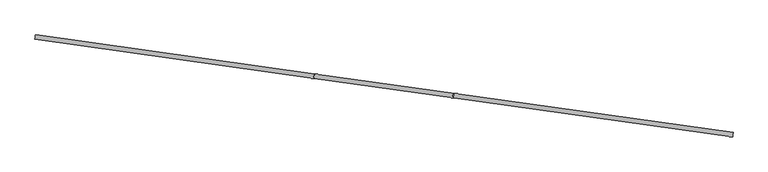
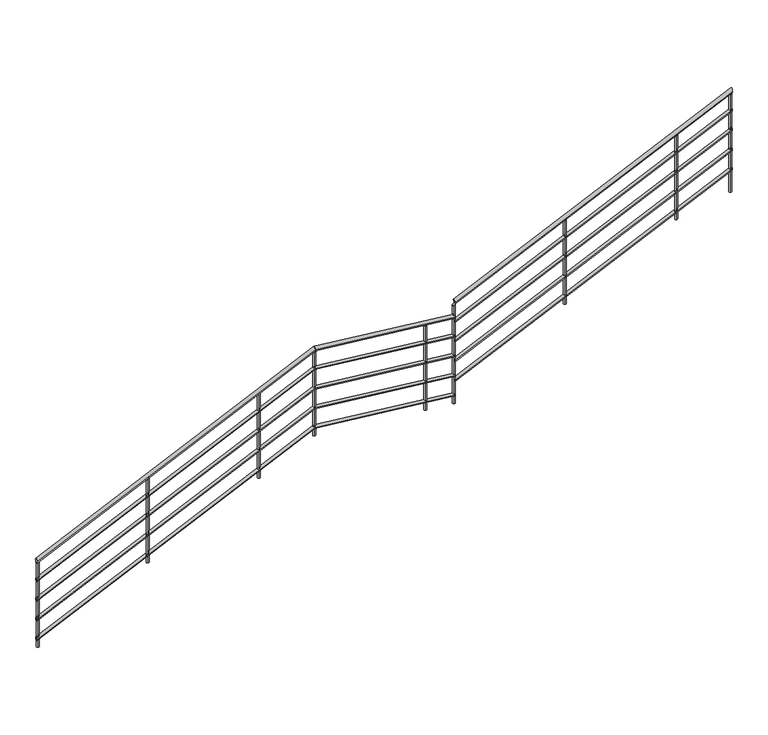
"""IFC4 building model written with IfcOpenShell, lengths in millimetres: railing geometry."""

from ifc_helpers import new_model, si_unit, point, frame, frame_2d, origin, place, context, project, spatial, circle_curve, ellipse_curve, trimmed, segment, composite_curve, outline, extrude, source, transform, mapped, element, save
from ifc_brep_helpers import plane_surface, cylinder_surface, advanced_brep


def railing_4bac88d4(model_context):
    return source(origin(), model_context, "Body", "SolidModel", [
        advanced_brep(
        [(-4151.011266, 434.3036285, 1026.6761924), (-4156.5781901, 394.6929057, 1026.6761924), (-1669.8553267, 85.5999018, 2530.0), (-1675.4222507, 45.989179, 2530.0), (-426.0459057, -89.2061125, 2530.0), (-431.6128298, -128.8168352, 2530.0)],
        [
            (0, 1, ellipse_curve(frame((-4153.7947281, 414.4982671, 1026.6761924), z_axis=(-0.9902680687415699, 0.1391731009600684, 0.0), x_axis=(0.0, 0.0, -1.0)), 23.3238076, 20.0)),
            (1, 0, ellipse_curve(frame((-4153.7947281, 414.4982671, 1026.6761924), z_axis=(-0.9902680687415699, 0.1391731009600684, 0.0), x_axis=(0.0, 0.0, -1.0)), 23.3238076, 20.0)),
            (0, 2),
            (2, 3, ellipse_curve(frame((-1672.6387887, 65.7945404, 2530.0), z_axis=(-0.95433612077669, 0.1341231950006012, -0.26693358189581534), x_axis=(0.2643358026262391, -0.03714997434281909, -0.9637149282107598)), 20.753025, 20.0)),
            (3, 1),
            (3, 2, ellipse_curve(frame((-1672.6387887, 65.7945404, 2530.0), z_axis=(-0.95433612077669, 0.1341231950006012, -0.26693358189581534), x_axis=(0.2643358026262391, -0.03714997434281909, -0.9637149282107598)), 20.753025, 20.0)),
            (4, 5, ellipse_curve(frame((-428.8293677, -109.0114739, 2530.0), z_axis=(0.95433612077669, -0.13412319500060113, 0.2669335818958153), x_axis=(-0.26433580262623835, 0.0371499743428193, 0.96371492821076)), 20.753025, 20.0)),
            (5, 4, ellipse_curve(frame((-428.8293677, -109.0114739, 2530.0), z_axis=(0.95433612077669, -0.13412319500060113, 0.2669335818958153), x_axis=(-0.26433580262623835, 0.0371499743428193, 0.96371492821076)), 20.753025, 20.0)),
            (2, 4),
            (5, 3),
        ],
        [
            plane_surface(frame((-4153.7947281, 414.4982671, 1050.0), z_axis=(-0.9902680687415699, 0.1391731009600684, 0.0), x_axis=(0.1391731009600684, 0.9902680687415699, 0.0))),
            cylinder_surface(frame((-4143.6049537, 413.0661877, 1032.8501415), z_axis=(-0.8491478635049157, 0.1193399495227358, -0.5144957554275332), x_axis=(-0.1391731009600684, -0.9902680687415699, 0.0)), 20.0),
            plane_surface(frame((-434.3151353, -108.2404995, 2550.0), z_axis=(0.95433612077669, -0.13412319500060113, 0.2669335818958153), x_axis=(0.2987349470364979, 0.4284688179030189, -0.8527437501992557))),
            cylinder_surface(frame((-1678.1245562, 66.5655147, 2530.0), z_axis=(-0.99026806874157, 0.1391731009600685, 0.0), x_axis=(-0.1391731009600685, -0.99026806874157, 0.0)), 20.0),
        ],
        [
            (0, [[1, 2]]),
            (1, [[-1, 3, 4, 5]]),
            (1, [[-2, -5, 6, -3]]),
            (2, [[7, 8]]),
            (3, [[-4, 9, -8, 10]]),
            (3, [[-6, -10, -7, -9]]),
        ],
    ),
        advanced_brep(
        [(-426.0459057, -89.2061125, 2680.0), (-431.6128298, -128.8168352, 2680.0), (2044.1384986, -436.3678905, 4176.6761924), (2038.5715746, -475.9786133, 4176.6761924)],
        [
            (0, 1, ellipse_curve(frame((-428.8293677, -109.0114739, 2680.0), z_axis=(-0.95433612077669, 0.13412319500060113, -0.2669335818958153), x_axis=(0.264335802626239, -0.03714997434281897, -0.9637149282107599)), 20.753025, 20.0)),
            (1, 0, ellipse_curve(frame((-428.8293677, -109.0114739, 2680.0), z_axis=(-0.95433612077669, 0.13412319500060113, -0.2669335818958153), x_axis=(0.264335802626239, -0.03714997434281897, -0.9637149282107599)), 20.753025, 20.0)),
            (2, 3, ellipse_curve(frame((2041.3550366, -456.1732519, 4176.6761924), z_axis=(0.9902680687415699, -0.1391731009600684, 0.0), x_axis=(0.0, 0.0, -1.0)), 23.3238076, 20.0)),
            (3, 2, ellipse_curve(frame((2041.3550366, -456.1732519, 4176.6761924), z_axis=(0.9902680687415699, -0.1391731009600684, 0.0), x_axis=(0.0, 0.0, -1.0)), 23.3238076, 20.0)),
            (0, 2),
            (3, 1),
        ],
        [
            plane_surface(frame((-434.3151353, -108.2404995, 2700.0), z_axis=(-0.95433612077669, 0.13412319500060113, -0.2669335818958153), x_axis=(0.2987349470364979, 0.4284688179030189, -0.8527437501992557))),
            plane_surface(frame((2041.3550366, -456.1732519, 4200.0), z_axis=(0.9902680687415699, -0.1391731009600684, 0.0), x_axis=(0.1391731009600684, 0.9902680687415699, 0.0))),
            cylinder_surface(frame((-424.1253609, -109.6725789, 2682.8501415), z_axis=(-0.8491478635049158, 0.1193399495227358, -0.5144957554275333), x_axis=(-0.1391731009600684, -0.99026806874157, 0.0)), 20.0),
        ],
        [
            (0, [[1, 2]]),
            (1, [[3, 4]]),
            (2, [[-1, 5, -4, 6]]),
            (2, [[-2, -6, -3, -5]]),
        ],
    ),
        advanced_brep(
        [(-4151.7071315, 429.3522882, 832.5071443), (-4155.8823246, 399.6442461, 832.5071443), (-1671.922634, 80.841305, 2335.0), (-1676.0978271, 51.1332629, 2335.0), (-428.1132131, -93.9647092, 2335.0), (-432.2884061, -123.6727513, 2335.0)],
        [
            (0, 1, ellipse_curve(frame((-4153.7947281, 414.4982671, 832.5071443), z_axis=(-0.9902680687415699, 0.1391731009600684, 0.0), x_axis=(0.0, 0.0, -1.0)), 17.4928557, 15.0)),
            (1, 0, ellipse_curve(frame((-4153.7947281, 414.4982671, 832.5071443), z_axis=(-0.9902680687415699, 0.1391731009600684, 0.0), x_axis=(0.0, 0.0, -1.0)), 17.4928557, 15.0)),
            (0, 2),
            (2, 3, ellipse_curve(frame((-1674.0102306, 65.987284, 2335.0), z_axis=(-0.95433612077669, 0.1341231950006012, -0.26693358189581534), x_axis=(0.2643358026262391, -0.03714997434281909, -0.9637149282107598)), 15.5647688, 15.0)),
            (3, 1),
            (3, 2, ellipse_curve(frame((-1674.0102306, 65.987284, 2335.0), z_axis=(-0.95433612077669, 0.1341231950006012, -0.26693358189581534), x_axis=(0.2643358026262391, -0.03714997434281909, -0.9637149282107598)), 15.5647688, 15.0)),
            (4, 5, ellipse_curve(frame((-430.2008096, -108.8187303, 2335.0), z_axis=(0.95433612077669, -0.13412319500060113, 0.2669335818958153), x_axis=(-0.26433580262623835, 0.0371499743428193, 0.96371492821076)), 15.5647688, 15.0)),
            (5, 4, ellipse_curve(frame((-430.2008096, -108.8187303, 2335.0), z_axis=(0.95433612077669, -0.13412319500060113, 0.2669335818958153), x_axis=(-0.26433580262623835, 0.0371499743428193, 0.96371492821076)), 15.5647688, 15.0)),
            (2, 4),
            (5, 3),
        ],
        [
            plane_surface(frame((-4153.7947281, 414.4982671, 850.0), z_axis=(-0.9902680687415699, 0.1391731009600684, 0.0), x_axis=(0.1391731009600684, 0.9902680687415699, 0.0))),
            cylinder_surface(frame((-4146.1523973, 413.4242076, 837.1376061), z_axis=(-0.8491478635049157, 0.1193399495227358, -0.5144957554275332), x_axis=(-0.1391731009600684, -0.9902680687415699, 0.0)), 15.0),
            plane_surface(frame((-434.3151353, -108.2404995, 2350.0), z_axis=(0.95433612077669, -0.13412319500060113, 0.2669335818958153), x_axis=(0.2987349470364979, 0.4284688179030189, -0.8527437501992557))),
            cylinder_surface(frame((-1678.1245562, 66.5655147, 2335.0), z_axis=(-0.99026806874157, 0.1391731009600685, 0.0), x_axis=(-0.1391731009600685, -0.99026806874157, 0.0)), 15.0),
        ],
        [
            (0, [[1, 2]]),
            (1, [[-1, 3, 4, 5]]),
            (1, [[-2, -5, 6, -3]]),
            (2, [[7, 8]]),
            (3, [[-4, 9, -8, 10]]),
            (3, [[-6, -10, -7, -9]]),
        ],
    ),
        advanced_brep(
        [(-428.1132131, -93.9647092, 2485.0), (-432.2884061, -123.6727513, 2485.0), (2043.4426331, -441.3192309, 3982.5071443), (2039.2674401, -471.0272729, 3982.5071443)],
        [
            (0, 1, ellipse_curve(frame((-430.2008096, -108.8187303, 2485.0), z_axis=(-0.95433612077669, 0.13412319500060113, -0.2669335818958153), x_axis=(0.264335802626239, -0.03714997434281897, -0.9637149282107599)), 15.5647688, 15.0)),
            (1, 0, ellipse_curve(frame((-430.2008096, -108.8187303, 2485.0), z_axis=(-0.95433612077669, 0.13412319500060113, -0.2669335818958153), x_axis=(0.264335802626239, -0.03714997434281897, -0.9637149282107599)), 15.5647688, 15.0)),
            (2, 3, ellipse_curve(frame((2041.3550366, -456.1732519, 3982.5071443), z_axis=(0.9902680687415699, -0.1391731009600684, 0.0), x_axis=(0.0, 0.0, -1.0)), 17.4928557, 15.0)),
            (3, 2, ellipse_curve(frame((2041.3550366, -456.1732519, 3982.5071443), z_axis=(0.9902680687415699, -0.1391731009600684, 0.0), x_axis=(0.0, 0.0, -1.0)), 17.4928557, 15.0)),
            (0, 2),
            (3, 1),
        ],
        [
            plane_surface(frame((-434.3151353, -108.2404995, 2500.0), z_axis=(-0.95433612077669, 0.13412319500060113, -0.2669335818958153), x_axis=(0.2987349470364979, 0.4284688179030189, -0.8527437501992557))),
            plane_surface(frame((2041.3550366, -456.1732519, 4000.0), z_axis=(0.9902680687415699, -0.1391731009600684, 0.0), x_axis=(0.1391731009600684, 0.9902680687415699, 0.0))),
            cylinder_surface(frame((-426.6728045, -109.3145591, 2487.1376061), z_axis=(-0.8491478635049158, 0.1193399495227358, -0.5144957554275333), x_axis=(-0.1391731009600684, -0.99026806874157, 0.0)), 15.0),
        ],
        [
            (0, [[1, 2]]),
            (1, [[3, 4]]),
            (2, [[-1, 5, -4, 6]]),
            (2, [[-2, -6, -3, -5]]),
        ],
    ),
        advanced_brep(
        [(-4151.7071315, 429.3522882, 632.5071443), (-4155.8823246, 399.6442461, 632.5071443), (-1671.922634, 80.841305, 2135.0), (-1676.0978271, 51.1332629, 2135.0), (-428.1132131, -93.9647092, 2135.0), (-432.2884061, -123.6727513, 2135.0)],
        [
            (0, 1, ellipse_curve(frame((-4153.7947281, 414.4982671, 632.5071443), z_axis=(-0.9902680687415699, 0.1391731009600684, 0.0), x_axis=(0.0, 0.0, -1.0)), 17.4928557, 15.0)),
            (1, 0, ellipse_curve(frame((-4153.7947281, 414.4982671, 632.5071443), z_axis=(-0.9902680687415699, 0.1391731009600684, 0.0), x_axis=(0.0, 0.0, -1.0)), 17.4928557, 15.0)),
            (0, 2),
            (2, 3, ellipse_curve(frame((-1674.0102306, 65.987284, 2135.0), z_axis=(-0.95433612077669, 0.1341231950006012, -0.26693358189581534), x_axis=(0.2643358026262391, -0.03714997434281909, -0.9637149282107598)), 15.5647688, 15.0)),
            (3, 1),
            (3, 2, ellipse_curve(frame((-1674.0102306, 65.987284, 2135.0), z_axis=(-0.95433612077669, 0.1341231950006012, -0.26693358189581534), x_axis=(0.2643358026262391, -0.03714997434281909, -0.9637149282107598)), 15.5647688, 15.0)),
            (4, 5, ellipse_curve(frame((-430.2008096, -108.8187303, 2135.0), z_axis=(0.95433612077669, -0.13412319500060113, 0.2669335818958153), x_axis=(-0.26433580262623835, 0.0371499743428193, 0.96371492821076)), 15.5647688, 15.0)),
            (5, 4, ellipse_curve(frame((-430.2008096, -108.8187303, 2135.0), z_axis=(0.95433612077669, -0.13412319500060113, 0.2669335818958153), x_axis=(-0.26433580262623835, 0.0371499743428193, 0.96371492821076)), 15.5647688, 15.0)),
            (2, 4),
            (5, 3),
        ],
        [
            plane_surface(frame((-4153.7947281, 414.4982671, 650.0), z_axis=(-0.9902680687415699, 0.1391731009600684, 0.0), x_axis=(0.1391731009600684, 0.9902680687415699, 0.0))),
            cylinder_surface(frame((-4146.1523973, 413.4242076, 637.1376061), z_axis=(-0.8491478635049157, 0.1193399495227358, -0.5144957554275332), x_axis=(-0.1391731009600684, -0.9902680687415699, 0.0)), 15.0),
            plane_surface(frame((-434.3151353, -108.2404995, 2150.0), z_axis=(0.95433612077669, -0.13412319500060113, 0.2669335818958153), x_axis=(0.2987349470364979, 0.4284688179030189, -0.8527437501992557))),
            cylinder_surface(frame((-1678.1245562, 66.5655147, 2135.0), z_axis=(-0.99026806874157, 0.1391731009600685, 0.0), x_axis=(-0.1391731009600685, -0.99026806874157, 0.0)), 15.0),
        ],
        [
            (0, [[1, 2]]),
            (1, [[-1, 3, 4, 5]]),
            (1, [[-2, -5, 6, -3]]),
            (2, [[7, 8]]),
            (3, [[-4, 9, -8, 10]]),
            (3, [[-6, -10, -7, -9]]),
        ],
    ),
        advanced_brep(
        [(-428.1132131, -93.9647092, 2285.0), (-432.2884061, -123.6727513, 2285.0), (2043.4426331, -441.3192309, 3782.5071443), (2039.2674401, -471.0272729, 3782.5071443)],
        [
            (0, 1, ellipse_curve(frame((-430.2008096, -108.8187303, 2285.0), z_axis=(-0.95433612077669, 0.13412319500060113, -0.2669335818958153), x_axis=(0.264335802626239, -0.03714997434281897, -0.9637149282107599)), 15.5647688, 15.0)),
            (1, 0, ellipse_curve(frame((-430.2008096, -108.8187303, 2285.0), z_axis=(-0.95433612077669, 0.13412319500060113, -0.2669335818958153), x_axis=(0.264335802626239, -0.03714997434281897, -0.9637149282107599)), 15.5647688, 15.0)),
            (2, 3, ellipse_curve(frame((2041.3550366, -456.1732519, 3782.5071443), z_axis=(0.9902680687415699, -0.1391731009600684, 0.0), x_axis=(0.0, 0.0, -1.0)), 17.4928557, 15.0)),
            (3, 2, ellipse_curve(frame((2041.3550366, -456.1732519, 3782.5071443), z_axis=(0.9902680687415699, -0.1391731009600684, 0.0), x_axis=(0.0, 0.0, -1.0)), 17.4928557, 15.0)),
            (0, 2),
            (3, 1),
        ],
        [
            plane_surface(frame((-434.3151353, -108.2404995, 2300.0), z_axis=(-0.95433612077669, 0.13412319500060113, -0.2669335818958153), x_axis=(0.2987349470364979, 0.4284688179030189, -0.8527437501992557))),
            plane_surface(frame((2041.3550366, -456.1732519, 3800.0), z_axis=(0.9902680687415699, -0.1391731009600684, 0.0), x_axis=(0.1391731009600684, 0.9902680687415699, 0.0))),
            cylinder_surface(frame((-426.6728045, -109.3145591, 2287.1376061), z_axis=(-0.8491478635049158, 0.1193399495227358, -0.5144957554275333), x_axis=(-0.1391731009600684, -0.99026806874157, 0.0)), 15.0),
        ],
        [
            (0, [[1, 2]]),
            (1, [[3, 4]]),
            (2, [[-1, 5, -4, 6]]),
            (2, [[-2, -6, -3, -5]]),
        ],
    ),
        advanced_brep(
        [(-4151.7071315, 429.3522882, 432.5071443), (-4155.8823246, 399.6442461, 432.5071443), (-1671.922634, 80.841305, 1935.0), (-1676.0978271, 51.1332629, 1935.0), (-428.1132131, -93.9647092, 1935.0), (-432.2884061, -123.6727513, 1935.0)],
        [
            (0, 1, ellipse_curve(frame((-4153.7947281, 414.4982671, 432.5071443), z_axis=(-0.9902680687415699, 0.1391731009600684, 0.0), x_axis=(0.0, 0.0, -1.0)), 17.4928557, 15.0)),
            (1, 0, ellipse_curve(frame((-4153.7947281, 414.4982671, 432.5071443), z_axis=(-0.9902680687415699, 0.1391731009600684, 0.0), x_axis=(0.0, 0.0, -1.0)), 17.4928557, 15.0)),
            (0, 2),
            (2, 3, ellipse_curve(frame((-1674.0102306, 65.987284, 1935.0), z_axis=(-0.95433612077669, 0.1341231950006012, -0.26693358189581534), x_axis=(0.2643358026262391, -0.03714997434281909, -0.9637149282107598)), 15.5647688, 15.0)),
            (3, 1),
            (3, 2, ellipse_curve(frame((-1674.0102306, 65.987284, 1935.0), z_axis=(-0.95433612077669, 0.1341231950006012, -0.26693358189581534), x_axis=(0.2643358026262391, -0.03714997434281909, -0.9637149282107598)), 15.5647688, 15.0)),
            (4, 5, ellipse_curve(frame((-430.2008096, -108.8187303, 1935.0), z_axis=(0.95433612077669, -0.13412319500060113, 0.2669335818958153), x_axis=(-0.26433580262623835, 0.0371499743428193, 0.96371492821076)), 15.5647688, 15.0)),
            (5, 4, ellipse_curve(frame((-430.2008096, -108.8187303, 1935.0), z_axis=(0.95433612077669, -0.13412319500060113, 0.2669335818958153), x_axis=(-0.26433580262623835, 0.0371499743428193, 0.96371492821076)), 15.5647688, 15.0)),
            (2, 4),
            (5, 3),
        ],
        [
            plane_surface(frame((-4153.7947281, 414.4982671, 450.0), z_axis=(-0.9902680687415699, 0.1391731009600684, 0.0), x_axis=(0.1391731009600684, 0.9902680687415699, 0.0))),
            cylinder_surface(frame((-4146.1523973, 413.4242076, 437.1376061), z_axis=(-0.8491478635049157, 0.1193399495227358, -0.5144957554275332), x_axis=(-0.1391731009600684, -0.9902680687415699, 0.0)), 15.0),
            plane_surface(frame((-434.3151353, -108.2404995, 1950.0), z_axis=(0.95433612077669, -0.13412319500060113, 0.2669335818958153), x_axis=(0.2987349470364979, 0.4284688179030189, -0.8527437501992557))),
            cylinder_surface(frame((-1678.1245562, 66.5655147, 1935.0), z_axis=(-0.99026806874157, 0.1391731009600685, 0.0), x_axis=(-0.1391731009600685, -0.99026806874157, 0.0)), 15.0),
        ],
        [
            (0, [[1, 2]]),
            (1, [[-1, 3, 4, 5]]),
            (1, [[-2, -5, 6, -3]]),
            (2, [[7, 8]]),
            (3, [[-4, 9, -8, 10]]),
            (3, [[-6, -10, -7, -9]]),
        ],
    ),
        advanced_brep(
        [(-428.1132131, -93.9647092, 2085.0), (-432.2884061, -123.6727513, 2085.0), (2043.4426331, -441.3192309, 3582.5071443), (2039.2674401, -471.0272729, 3582.5071443)],
        [
            (0, 1, ellipse_curve(frame((-430.2008096, -108.8187303, 2085.0), z_axis=(-0.95433612077669, 0.13412319500060113, -0.2669335818958153), x_axis=(0.264335802626239, -0.03714997434281897, -0.9637149282107599)), 15.5647688, 15.0)),
            (1, 0, ellipse_curve(frame((-430.2008096, -108.8187303, 2085.0), z_axis=(-0.95433612077669, 0.13412319500060113, -0.2669335818958153), x_axis=(0.264335802626239, -0.03714997434281897, -0.9637149282107599)), 15.5647688, 15.0)),
            (2, 3, ellipse_curve(frame((2041.3550366, -456.1732519, 3582.5071443), z_axis=(0.9902680687415699, -0.1391731009600684, 0.0), x_axis=(0.0, 0.0, -1.0)), 17.4928557, 15.0)),
            (3, 2, ellipse_curve(frame((2041.3550366, -456.1732519, 3582.5071443), z_axis=(0.9902680687415699, -0.1391731009600684, 0.0), x_axis=(0.0, 0.0, -1.0)), 17.4928557, 15.0)),
            (0, 2),
            (3, 1),
        ],
        [
            plane_surface(frame((-434.3151353, -108.2404995, 2100.0), z_axis=(-0.95433612077669, 0.13412319500060113, -0.2669335818958153), x_axis=(0.2987349470364979, 0.4284688179030189, -0.8527437501992557))),
            plane_surface(frame((2041.3550366, -456.1732519, 3600.0), z_axis=(0.9902680687415699, -0.1391731009600684, 0.0), x_axis=(0.1391731009600684, 0.9902680687415699, 0.0))),
            cylinder_surface(frame((-426.6728045, -109.3145591, 2087.1376061), z_axis=(-0.8491478635049158, 0.1193399495227358, -0.5144957554275333), x_axis=(-0.1391731009600684, -0.99026806874157, 0.0)), 15.0),
        ],
        [
            (0, [[1, 2]]),
            (1, [[3, 4]]),
            (2, [[-1, 5, -4, 6]]),
            (2, [[-2, -6, -3, -5]]),
        ],
    ),
        advanced_brep(
        [(-4151.7071315, 429.3522882, 232.5071443), (-4155.8823246, 399.6442461, 232.5071443), (-1671.922634, 80.841305, 1735.0), (-1676.0978271, 51.1332629, 1735.0), (-428.1132131, -93.9647092, 1735.0), (-432.2884061, -123.6727513, 1735.0)],
        [
            (0, 1, ellipse_curve(frame((-4153.7947281, 414.4982671, 232.5071443), z_axis=(-0.9902680687415699, 0.1391731009600684, 0.0), x_axis=(0.0, 0.0, -1.0)), 17.4928557, 15.0)),
            (1, 0, ellipse_curve(frame((-4153.7947281, 414.4982671, 232.5071443), z_axis=(-0.9902680687415699, 0.1391731009600684, 0.0), x_axis=(0.0, 0.0, -1.0)), 17.4928557, 15.0)),
            (0, 2),
            (2, 3, ellipse_curve(frame((-1674.0102306, 65.987284, 1735.0), z_axis=(-0.95433612077669, 0.1341231950006012, -0.26693358189581534), x_axis=(0.2643358026262391, -0.03714997434281909, -0.9637149282107598)), 15.5647688, 15.0)),
            (3, 1),
            (3, 2, ellipse_curve(frame((-1674.0102306, 65.987284, 1735.0), z_axis=(-0.95433612077669, 0.1341231950006012, -0.26693358189581534), x_axis=(0.2643358026262391, -0.03714997434281909, -0.9637149282107598)), 15.5647688, 15.0)),
            (4, 5, ellipse_curve(frame((-430.2008096, -108.8187303, 1735.0), z_axis=(0.95433612077669, -0.13412319500060113, 0.2669335818958153), x_axis=(-0.26433580262623835, 0.0371499743428193, 0.96371492821076)), 15.5647688, 15.0)),
            (5, 4, ellipse_curve(frame((-430.2008096, -108.8187303, 1735.0), z_axis=(0.95433612077669, -0.13412319500060113, 0.2669335818958153), x_axis=(-0.26433580262623835, 0.0371499743428193, 0.96371492821076)), 15.5647688, 15.0)),
            (2, 4),
            (5, 3),
        ],
        [
            plane_surface(frame((-4153.7947281, 414.4982671, 250.0), z_axis=(-0.9902680687415699, 0.1391731009600684, 0.0), x_axis=(0.1391731009600684, 0.9902680687415699, 0.0))),
            cylinder_surface(frame((-4146.1523973, 413.4242076, 237.1376061), z_axis=(-0.8491478635049157, 0.1193399495227358, -0.5144957554275332), x_axis=(-0.1391731009600684, -0.9902680687415699, 0.0)), 15.0),
            plane_surface(frame((-434.3151353, -108.2404995, 1750.0), z_axis=(0.95433612077669, -0.13412319500060113, 0.2669335818958153), x_axis=(0.2987349470364979, 0.4284688179030189, -0.8527437501992557))),
            cylinder_surface(frame((-1678.1245562, 66.5655147, 1735.0), z_axis=(-0.99026806874157, 0.1391731009600685, 0.0), x_axis=(-0.1391731009600685, -0.99026806874157, 0.0)), 15.0),
        ],
        [
            (0, [[1, 2]]),
            (1, [[-1, 3, 4, 5]]),
            (1, [[-2, -5, 6, -3]]),
            (2, [[7, 8]]),
            (3, [[-4, 9, -8, 10]]),
            (3, [[-6, -10, -7, -9]]),
        ],
    ),
        advanced_brep(
        [(-428.1132131, -93.9647092, 1885.0), (-432.2884061, -123.6727513, 1885.0), (2043.4426331, -441.3192309, 3382.5071443), (2039.2674401, -471.0272729, 3382.5071443)],
        [
            (0, 1, ellipse_curve(frame((-430.2008096, -108.8187303, 1885.0), z_axis=(-0.95433612077669, 0.13412319500060113, -0.2669335818958153), x_axis=(0.264335802626239, -0.03714997434281897, -0.9637149282107599)), 15.5647688, 15.0)),
            (1, 0, ellipse_curve(frame((-430.2008096, -108.8187303, 1885.0), z_axis=(-0.95433612077669, 0.13412319500060113, -0.2669335818958153), x_axis=(0.264335802626239, -0.03714997434281897, -0.9637149282107599)), 15.5647688, 15.0)),
            (2, 3, ellipse_curve(frame((2041.3550366, -456.1732519, 3382.5071443), z_axis=(0.9902680687415699, -0.1391731009600684, 0.0), x_axis=(0.0, 0.0, -1.0)), 17.4928557, 15.0)),
            (3, 2, ellipse_curve(frame((2041.3550366, -456.1732519, 3382.5071443), z_axis=(0.9902680687415699, -0.1391731009600684, 0.0), x_axis=(0.0, 0.0, -1.0)), 17.4928557, 15.0)),
            (0, 2),
            (3, 1),
        ],
        [
            plane_surface(frame((-434.3151353, -108.2404995, 1900.0), z_axis=(-0.95433612077669, 0.13412319500060113, -0.2669335818958153), x_axis=(0.2987349470364979, 0.4284688179030189, -0.8527437501992557))),
            plane_surface(frame((2041.3550366, -456.1732519, 3400.0), z_axis=(0.9902680687415699, -0.1391731009600684, 0.0), x_axis=(0.1391731009600684, 0.9902680687415699, 0.0))),
            cylinder_surface(frame((-426.6728045, -109.3145591, 1887.1376061), z_axis=(-0.8491478635049158, 0.1193399495227358, -0.5144957554275333), x_axis=(-0.1391731009600684, -0.99026806874157, 0.0)), 15.0),
        ],
        [
            (0, [[1, 2]]),
            (1, [[3, 4]]),
            (2, [[-1, 5, -4, 6]]),
            (2, [[-2, -6, -3, -5]]),
        ],
    ),
        advanced_brep(
        [(1544.4813385, -398.9650523, 3853.3523848), (1544.4813385, -398.9650523, 3000.0), (1547.960666, -374.2083506, 3000.0), (1547.960666, -374.2083506, 3853.3523848)],
        [
            (0, 1),
            (1, 2, circle_curve(frame((1546.2210022, -386.5867014, 3000.0), z_axis=(0.0, 0.0, 1.0000000000000002), x_axis=(0.1391731009600684, 0.99026806874157, 0.0)), 12.5)),
            (2, 3),
            (3, 0, ellipse_curve(frame((1546.2210022, -386.5867014, 3853.3523848), z_axis=(0.5094887181029579, -0.07160396971364266, -0.8574929257125407), x_axis=(0.849147863504916, -0.11933994952273583, 0.5144957554275329)), 14.5773797, 12.5)),
            (0, 3, ellipse_curve(frame((1546.2210022, -386.5867014, 3853.3523848), z_axis=(0.5094887181029579, -0.07160396971364266, -0.8574929257125407), x_axis=(0.849147863504916, -0.11933994952273583, 0.5144957554275329)), 14.5773797, 12.5)),
            (2, 1, circle_curve(frame((1546.2210022, -386.5867014, 3000.0), z_axis=(0.0, 0.0, 1.0000000000000002), x_axis=(0.1391731009600684, 0.99026806874157, 0.0)), 12.5)),
        ],
        [
            cylinder_surface(frame((1546.2210022, -386.5867014, 2900.0), z_axis=(0.0, 0.0, 1.0000000000000002), x_axis=(0.1391731009600684, 0.99026806874157, 0.0)), 12.5),
            plane_surface(frame((1574.4570315, -365.3093272, 3868.3523848), z_axis=(-0.5094887181029579, 0.07160396971364266, 0.8574929257125407), x_axis=(-0.1391731009600684, -0.99026806874157, 0.0))),
            plane_surface(frame((1524.943628, -358.3506722, 3000.0), z_axis=(0.0, 0.0, -1.0000000000000002), x_axis=(-0.1391731009600684, -0.99026806874157, 0.0))),
        ],
        [
            (0, [[1, 2, 3, 4]]),
            (0, [[-1, 5, -3, 6]]),
            (1, [[-4, -5]]),
            (2, [[-2, -6]]),
        ],
    ),
        advanced_brep(
        [(554.2132697, -259.7919513, 3253.3523848), (554.2132697, -259.7919513, 2400.0), (557.6925972, -235.0352496, 2400.0), (557.6925972, -235.0352496, 3253.3523848)],
        [
            (0, 1),
            (1, 2, circle_curve(frame((555.9529335, -247.4136005, 2400.0), z_axis=(0.0, 0.0, 1.0000000000000002), x_axis=(0.1391731009600684, 0.99026806874157, 0.0)), 12.5)),
            (2, 3),
            (3, 0, ellipse_curve(frame((555.9529335, -247.4136005, 3253.3523848), z_axis=(0.5094887181029579, -0.07160396971364266, -0.8574929257125407), x_axis=(0.849147863504916, -0.11933994952273583, 0.5144957554275329)), 14.5773797, 12.5)),
            (0, 3, ellipse_curve(frame((555.9529335, -247.4136005, 3253.3523848), z_axis=(0.5094887181029579, -0.07160396971364266, -0.8574929257125407), x_axis=(0.849147863504916, -0.11933994952273583, 0.5144957554275329)), 14.5773797, 12.5)),
            (2, 1, circle_curve(frame((555.9529335, -247.4136005, 2400.0), z_axis=(0.0, 0.0, 1.0000000000000002), x_axis=(0.1391731009600684, 0.99026806874157, 0.0)), 12.5)),
        ],
        [
            cylinder_surface(frame((555.9529335, -247.4136005, 2300.0), z_axis=(0.0, 0.0, 1.0000000000000002), x_axis=(0.1391731009600684, 0.99026806874157, 0.0)), 12.5),
            plane_surface(frame((584.1889627, -226.1362263, 3268.3523848), z_axis=(-0.5094887181029579, 0.07160396971364266, 0.8574929257125407), x_axis=(-0.1391731009600684, -0.99026806874157, 0.0))),
            plane_surface(frame((534.6755593, -219.1775712, 2400.0), z_axis=(0.0, 0.0, -1.0000000000000002), x_axis=(-0.1391731009600684, -0.99026806874157, 0.0))),
        ],
        [
            (0, [[1, 2, 3, 4]]),
            (0, [[-1, 5, -3, 6]]),
            (1, [[-4, -5]]),
            (2, [[-2, -6]]),
        ],
    ),
        extrude(outline(composite_curve([segment(trimmed(circle_curve(frame_2d((-687.8564875, -72.6075862)), 12.5), [point((-686.1168237, -60.2292354))], [point((-689.5961512, -84.9859371))], False, "CARTESIAN"), True, "CONTINUOUS"), segment(trimmed(circle_curve(frame_2d((-687.8564875, -72.6075862)), 12.5), [point((-689.5961512, -84.9859371))], [point((-686.1168237, -60.2292354))], False, "CARTESIAN"), True, "CONTINUOUS")], self_intersect=False)), frame((0.0, 0.0, 1650.0), z_axis=(0.0, 0.0, 1.0), x_axis=(1.0, 0.0, 0.0)), (0.0, 0.0, 1.0), 860.0),
        advanced_brep(
        [(-2174.9982543, 123.7737143, 2203.3523848), (-2174.9982543, 123.7737143, 1350.0), (-2171.5189268, 148.5304161, 1350.0), (-2171.5189268, 148.5304161, 2203.3523848)],
        [
            (0, 1),
            (1, 2, circle_curve(frame((-2173.2585906, 136.1520652, 1350.0), z_axis=(0.0, 0.0, 1.0000000000000002), x_axis=(0.1391731009600684, 0.99026806874157, 0.0)), 12.5)),
            (2, 3),
            (3, 0, ellipse_curve(frame((-2173.2585906, 136.1520652, 2203.3523848), z_axis=(0.5094887181029579, -0.07160396971364266, -0.8574929257125407), x_axis=(0.849147863504916, -0.11933994952273583, 0.5144957554275329)), 14.5773797, 12.5)),
            (0, 3, ellipse_curve(frame((-2173.2585906, 136.1520652, 2203.3523848), z_axis=(0.5094887181029579, -0.07160396971364266, -0.8574929257125407), x_axis=(0.849147863504916, -0.11933994952273583, 0.5144957554275329)), 14.5773797, 12.5)),
            (2, 1, circle_curve(frame((-2173.2585906, 136.1520652, 1350.0), z_axis=(0.0, 0.0, 1.0000000000000002), x_axis=(0.1391731009600684, 0.99026806874157, 0.0)), 12.5)),
        ],
        [
            cylinder_surface(frame((-2173.2585906, 136.1520652, 1250.0), z_axis=(0.0, 0.0, 1.0000000000000002), x_axis=(0.1391731009600684, 0.99026806874157, 0.0)), 12.5),
            plane_surface(frame((-2145.0225613, 157.4294394, 2218.3523848), z_axis=(-0.5094887181029579, 0.07160396971364266, 0.8574929257125407), x_axis=(-0.1391731009600684, -0.99026806874157, 0.0))),
            plane_surface(frame((-2194.5359648, 164.3880944, 1350.0), z_axis=(0.0, 0.0, -1.0000000000000002), x_axis=(-0.1391731009600684, -0.99026806874157, 0.0))),
        ],
        [
            (0, [[1, 2, 3, 4]]),
            (0, [[-1, 5, -3, 6]]),
            (1, [[-4, -5]]),
            (2, [[-2, -6]]),
        ],
    ),
        advanced_brep(
        [(-3165.2663231, 262.9468153, 1603.3523848), (-3165.2663231, 262.9468153, 750.0), (-3161.7869955, 287.703517, 750.0), (-3161.7869955, 287.703517, 1603.3523848)],
        [
            (0, 1),
            (1, 2, circle_curve(frame((-3163.5266593, 275.3251662, 750.0), z_axis=(0.0, 0.0, 1.0000000000000002), x_axis=(0.1391731009600684, 0.99026806874157, 0.0)), 12.5)),
            (2, 3),
            (3, 0, ellipse_curve(frame((-3163.5266593, 275.3251662, 1603.3523848), z_axis=(0.5094887181029579, -0.07160396971364266, -0.8574929257125407), x_axis=(0.849147863504916, -0.11933994952273583, 0.5144957554275329)), 14.5773797, 12.5)),
            (0, 3, ellipse_curve(frame((-3163.5266593, 275.3251662, 1603.3523848), z_axis=(0.5094887181029579, -0.07160396971364266, -0.8574929257125407), x_axis=(0.849147863504916, -0.11933994952273583, 0.5144957554275329)), 14.5773797, 12.5)),
            (2, 1, circle_curve(frame((-3163.5266593, 275.3251662, 750.0), z_axis=(0.0, 0.0, 1.0000000000000002), x_axis=(0.1391731009600684, 0.99026806874157, 0.0)), 12.5)),
        ],
        [
            cylinder_surface(frame((-3163.5266593, 275.3251662, 650.0), z_axis=(0.0, 0.0, 1.0000000000000002), x_axis=(0.1391731009600684, 0.99026806874157, 0.0)), 12.5),
            plane_surface(frame((-3135.2906301, 296.6025404, 1618.3523848), z_axis=(-0.5094887181029579, 0.07160396971364266, 0.8574929257125407), x_axis=(-0.1391731009600684, -0.99026806874157, 0.0))),
            plane_surface(frame((-3184.8040335, 303.5611954, 750.0), z_axis=(0.0, 0.0, -1.0000000000000002), x_axis=(-0.1391731009600684, -0.99026806874157, 0.0))),
        ],
        [
            (0, [[1, 2, 3, 4]]),
            (0, [[-1, 5, -3, 6]]),
            (1, [[-4, -5]]),
            (2, [[-2, -6]]),
        ],
    ),
        advanced_brep(
        [(-436.054799, -120.6188504, 2653.3523848), (-436.054799, -120.6188504, 1650.0), (-432.5754715, -95.8621486, 1650.0), (-432.5754715, -95.8621486, 2653.3523848)],
        [
            (0, 1),
            (1, 2, circle_curve(frame((-434.3151353, -108.2404995, 1650.0), z_axis=(0.0, 0.0, 1.0000000000000002), x_axis=(0.1391731009600684, 0.99026806874157, 0.0)), 12.5)),
            (2, 3),
            (3, 0, ellipse_curve(frame((-434.3151353, -108.2404995, 2653.3523848), z_axis=(0.5094887181029579, -0.07160396971364266, -0.8574929257125407), x_axis=(0.849147863504916, -0.11933994952273583, 0.5144957554275329)), 14.5773797, 12.5)),
            (0, 3, ellipse_curve(frame((-434.3151353, -108.2404995, 2653.3523848), z_axis=(0.5094887181029579, -0.07160396971364266, -0.8574929257125407), x_axis=(0.849147863504916, -0.11933994952273583, 0.5144957554275329)), 14.5773797, 12.5)),
            (2, 1, circle_curve(frame((-434.3151353, -108.2404995, 1650.0), z_axis=(0.0, 0.0, 1.0000000000000002), x_axis=(0.1391731009600684, 0.99026806874157, 0.0)), 12.5)),
        ],
        [
            cylinder_surface(frame((-434.3151353, -108.2404995, 1550.0), z_axis=(0.0, 0.0, 1.0000000000000002), x_axis=(0.1391731009600684, 0.99026806874157, 0.0)), 12.5),
            plane_surface(frame((-406.079106, -86.9631253, 2668.3523848), z_axis=(-0.5094887181029579, 0.07160396971364266, 0.8574929257125407), x_axis=(-0.1391731009600684, -0.99026806874157, 0.0))),
            plane_surface(frame((-455.5925095, -80.0044703, 1650.0), z_axis=(0.0, 0.0, -1.0000000000000002), x_axis=(-0.1391731009600684, -0.99026806874157, 0.0))),
        ],
        [
            (0, [[1, 2, 3, 4]]),
            (0, [[-1, 5, -3, 6]]),
            (1, [[-4, -5]]),
            (2, [[-2, -6]]),
        ],
    ),
        advanced_brep(
        [(-1679.86422, 54.1871639, 2503.3523848), (-1679.86422, 54.1871639, 1650.0), (-1676.3848924, 78.9438656, 1650.0), (-1676.3848924, 78.9438656, 2503.3523848)],
        [
            (0, 1),
            (1, 2, circle_curve(frame((-1678.1245562, 66.5655147, 1650.0), z_axis=(0.0, 0.0, 1.0000000000000002), x_axis=(0.1391731009600684, 0.99026806874157, 0.0)), 12.5)),
            (2, 3),
            (3, 0, ellipse_curve(frame((-1678.1245562, 66.5655147, 2503.3523848), z_axis=(0.5094887181029579, -0.07160396971364266, -0.8574929257125407), x_axis=(0.849147863504916, -0.11933994952273583, 0.5144957554275329)), 14.5773797, 12.5)),
            (0, 3, ellipse_curve(frame((-1678.1245562, 66.5655147, 2503.3523848), z_axis=(0.5094887181029579, -0.07160396971364266, -0.8574929257125407), x_axis=(0.849147863504916, -0.11933994952273583, 0.5144957554275329)), 14.5773797, 12.5)),
            (2, 1, circle_curve(frame((-1678.1245562, 66.5655147, 1650.0), z_axis=(0.0, 0.0, 1.0000000000000002), x_axis=(0.1391731009600684, 0.99026806874157, 0.0)), 12.5)),
        ],
        [
            cylinder_surface(frame((-1678.1245562, 66.5655147, 1550.0), z_axis=(0.0, 0.0, 1.0000000000000002), x_axis=(0.1391731009600684, 0.99026806874157, 0.0)), 12.5),
            plane_surface(frame((-1649.888527, 87.8428889, 2518.3523848), z_axis=(-0.5094887181029579, 0.07160396971364266, 0.8574929257125407), x_axis=(-0.1391731009600684, -0.99026806874157, 0.0))),
            plane_surface(frame((-1699.4019304, 94.801544, 1650.0), z_axis=(0.0, 0.0, -1.0000000000000002), x_axis=(-0.1391731009600684, -0.99026806874157, 0.0))),
        ],
        [
            (0, [[1, 2, 3, 4]]),
            (0, [[-1, 5, -3, 6]]),
            (1, [[-4, -5]]),
            (2, [[-2, -6]]),
        ],
    ),
        advanced_brep(
        [(2027.237022, -466.811939, 4145.8523848), (2027.237022, -466.811939, 3150.0), (2030.7163495, -442.0552373, 3150.0), (2030.7163495, -442.0552373, 4145.8523848)],
        [
            (0, 1),
            (1, 2, circle_curve(frame((2028.9766857, -454.4335881, 3150.0), z_axis=(0.0, 0.0, 1.0000000000000002), x_axis=(0.1391731009600684, 0.99026806874157, 0.0)), 12.5)),
            (2, 3),
            (3, 0, ellipse_curve(frame((2028.9766857, -454.4335881, 4145.8523848), z_axis=(0.5094887181029579, -0.07160396971364266, -0.8574929257125407), x_axis=(0.849147863504916, -0.11933994952273583, 0.5144957554275329)), 14.5773797, 12.5)),
            (0, 3, ellipse_curve(frame((2028.9766857, -454.4335881, 4145.8523848), z_axis=(0.5094887181029579, -0.07160396971364266, -0.8574929257125407), x_axis=(0.849147863504916, -0.11933994952273583, 0.5144957554275329)), 14.5773797, 12.5)),
            (2, 1, circle_curve(frame((2028.9766857, -454.4335881, 3150.0), z_axis=(0.0, 0.0, 1.0000000000000002), x_axis=(0.1391731009600684, 0.99026806874157, 0.0)), 12.5)),
        ],
        [
            cylinder_surface(frame((2028.9766857, -454.4335881, 3050.0), z_axis=(0.0, 0.0, 1.0000000000000002), x_axis=(0.1391731009600684, 0.99026806874157, 0.0)), 12.5),
            plane_surface(frame((2057.212715, -433.156214, 4160.8523848), z_axis=(-0.5094887181029579, 0.07160396971364266, 0.8574929257125407), x_axis=(-0.1391731009600684, -0.99026806874157, 0.0))),
            plane_surface(frame((2007.6993115, -426.1975589, 3150.0), z_axis=(0.0, 0.0, -1.0000000000000002), x_axis=(-0.1391731009600684, -0.99026806874157, 0.0))),
        ],
        [
            (0, [[1, 2, 3, 4]]),
            (0, [[-1, 5, -3, 6]]),
            (1, [[-4, -5]]),
            (2, [[-2, -6]]),
        ],
    ),
        advanced_brep(
        [(-4143.156041, 400.3802525, 1010.8523848), (-4143.156041, 400.3802525, 150.0), (-4139.6767134, 425.1369542, 150.0), (-4139.6767134, 425.1369542, 1010.8523848)],
        [
            (0, 1),
            (1, 2, circle_curve(frame((-4141.4163772, 412.7586034, 150.0), z_axis=(0.0, 0.0, 1.0000000000000002), x_axis=(0.1391731009600684, 0.99026806874157, 0.0)), 12.5)),
            (2, 3),
            (3, 0, ellipse_curve(frame((-4141.4163772, 412.7586034, 1010.8523848), z_axis=(0.5094887181029579, -0.07160396971364266, -0.8574929257125407), x_axis=(0.849147863504916, -0.11933994952273583, 0.5144957554275329)), 14.5773797, 12.5)),
            (0, 3, ellipse_curve(frame((-4141.4163772, 412.7586034, 1010.8523848), z_axis=(0.5094887181029579, -0.07160396971364266, -0.8574929257125407), x_axis=(0.849147863504916, -0.11933994952273583, 0.5144957554275329)), 14.5773797, 12.5)),
            (2, 1, circle_curve(frame((-4141.4163772, 412.7586034, 150.0), z_axis=(0.0, 0.0, 1.0000000000000002), x_axis=(0.1391731009600684, 0.99026806874157, 0.0)), 12.5)),
        ],
        [
            cylinder_surface(frame((-4141.4163772, 412.7586034, 50.0), z_axis=(0.0, 0.0, 1.0000000000000002), x_axis=(0.1391731009600684, 0.99026806874157, 0.0)), 12.5),
            plane_surface(frame((-4113.180348, 434.0359776, 1025.8523848), z_axis=(-0.5094887181029579, 0.07160396971364266, 0.8574929257125407), x_axis=(-0.1391731009600684, -0.99026806874157, 0.0))),
            plane_surface(frame((-4162.6937514, 440.9946326, 150.0), z_axis=(0.0, 0.0, -1.0000000000000002), x_axis=(-0.1391731009600684, -0.99026806874157, 0.0))),
        ],
        [
            (0, [[1, 2, 3, 4]]),
            (0, [[-1, 5, -3, 6]]),
            (1, [[-4, -5]]),
            (2, [[-2, -6]]),
        ],
    ),
    ])


if __name__ == "__main__":
    model = new_model("IFC4")
    model_context = context("Model", 3, world=origin())
    ifc_project = project(units=[si_unit("LENGTHUNIT", "METRE", prefix="MILLI")], contexts=[model_context])
    site = spatial("IfcSite", under=ifc_project)
    building = spatial("IfcBuilding", under=site)
    placement = place(None, origin())
    railing_shape = railing_4bac88d4(model_context)
    element("IfcRailing", 1, at=placement, inside=building, context=model_context, shape_type="MappedRepresentation", body=[
        mapped(railing_shape, transform((0.0, 0.0, 0.0), x_axis=(1.0, 0.0, 0.0), y_axis=(0.0, 1.0, 0.0), z_axis=(0.0, 0.0, 1.0))),
    ])
    save(model, "model.ifc")
